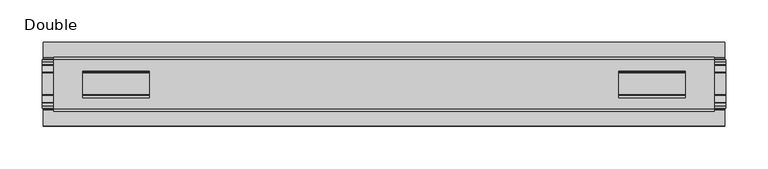
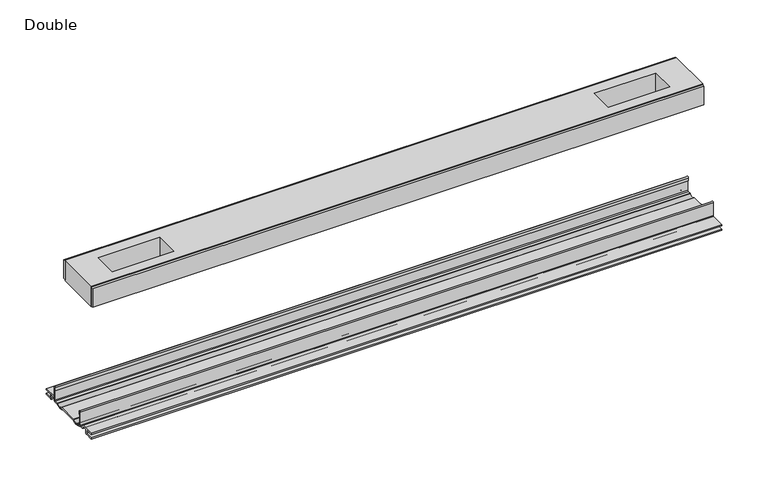
"""IFC4 building model written with IfcOpenShell, lengths in millimetres: proxy geometry, Double."""

from ifc_helpers import new_model, si_unit, point, frame, frame_2d, origin, place, context, project, spatial, polyline, circle_curve, trimmed, segment, composite_curve, outline, extrude, source, transform, mapped, element, save


def double_13daedb4(model_context):
    return source(origin(), model_context, "Body", "SweptSolid", [
        extrude(outline(polyline([(392.2993419, -29.0068005), (392.2993419, -32.1817997), (-392.2993419, -32.1817997), (-392.2993419, -29.0068005), (392.2993419, -29.0068005)])), frame((0.0, 0.0, 149.8401622), z_axis=(0.0, 0.0, 1.0), x_axis=(1.0, 0.0, 0.0)), (0.0, 0.0, 1.0), 25.3999939),
        extrude(outline(polyline([(392.2993419, 32.1817997), (392.2993419, 29.0068005), (-392.2993419, 29.0068005), (-392.2993419, 32.1817997), (392.2993419, 32.1817997)])), frame((0.0, 0.0, 149.8401622), z_axis=(0.0, 0.0, 1.0), x_axis=(1.0, 0.0, 0.0)), (0.0, 0.0, 1.0), 25.3999939),
        extrude(outline(polyline([(392.2993419, 29.0068005), (392.2993419, -29.0068005), (-392.2993419, -29.0068005), (-392.2993419, 29.0068005), (392.2993419, 29.0068005)]), holes=[polyline([(357.8823293, 15.1130038), (278.8375175, 15.1130038), (278.8375175, -15.875003), (357.8823293, -15.875003), (357.8823293, 15.1130038)]), polyline([(-357.8823293, 15.1130038), (-357.8823293, -15.875003), (-278.8375175, -15.875003), (-278.8375175, 15.1130038), (-357.8823293, 15.1130038)])]), frame((0.0, 0.0, 148.4185847), z_axis=(0.0, 0.0, 1.0), x_axis=(1.0, 0.0, 0.0)), (0.0, 0.0, 1.0), 27.9999988),
        extrude(outline(composite_curve([segment(polyline([(-28.8162961, -7.7516037), (-28.8162961, 9.8607558)]), True, "CONTINUOUS"), segment(trimmed(circle_curve(frame_2d((-27.5970982, 9.8607558)), 1.2191979), [point((-28.8162961, 9.8607558))], [point((-26.3779003, 9.8607558))], False, "CARTESIAN"), True, "CONTINUOUS"), segment(polyline([(-26.3779003, 9.8607558), (-26.3779003, 5.9999563), (-27.6580769, 5.9999563), (-27.6580769, -7.7516037)]), True, "CONTINUOUS"), segment(trimmed(circle_curve(frame_2d((-26.6420561, -7.7516037)), 1.0160208), [point((-27.6580769, -7.7516037))], [point((-26.6485732, -8.7676036))], True, "CARTESIAN"), True, "CONTINUOUS"), segment(polyline([(-26.6485732, -8.7676036), (-22.7056226, -8.7676036), (-21.7922609, -8.968753)]), True, "CONTINUOUS"), segment(trimmed(circle_curve(frame_2d((-17.7673021, -6.1259382)), 4.9276657), [point((-21.7922609, -8.968753))], [point((-13.7423434, -8.968753))], True, "CARTESIAN"), True, "CONTINUOUS"), segment(polyline([(-13.7423434, -8.968753), (-12.8289726, -8.7676036), (13.2099722, -8.7676036), (14.123343, -8.968753)]), True, "CONTINUOUS"), segment(trimmed(circle_curve(frame_2d((18.1483018, -6.1259382)), 4.9276657), [point((14.123343, -8.968753))], [point((22.1732605, -8.968753))], True, "CARTESIAN"), True, "CONTINUOUS"), segment(polyline([(22.1732605, -8.968753), (23.0866222, -8.7676036), (27.0295728, -8.7676036)]), True, "CONTINUOUS"), segment(trimmed(circle_curve(frame_2d((27.0230557, -7.7516037)), 1.0160208), [point((27.0295728, -8.7676036))], [point((28.0390765, -7.7516037))], True, "CARTESIAN"), True, "CONTINUOUS"), segment(polyline([(28.0390765, -7.7516037), (28.0390765, 5.9999563), (26.7588999, 5.9999563), (26.7588999, 9.8607558)]), True, "CONTINUOUS"), segment(trimmed(circle_curve(frame_2d((27.9780978, 9.8607558)), 1.2191979), [point((26.7588999, 9.8607558))], [point((29.1972958, 9.8607558))], False, "CARTESIAN"), True, "CONTINUOUS"), segment(polyline([(29.1972958, 9.8607558), (29.1972958, -7.7516037)]), True, "CONTINUOUS"), segment(trimmed(circle_curve(frame_2d((27.0230557, -7.7516037)), 2.17424), [point((29.1972958, -7.7516037))], [point((27.0230557, -9.9258438))], False, "CARTESIAN"), True, "CONTINUOUS"), segment(polyline([(27.0230557, -9.9258438), (22.732069, -9.9258438)]), True, "CONTINUOUS"), segment(trimmed(circle_curve(frame_2d((18.1516545, -6.4800016)), 5.7318431), [point((22.732069, -9.9258438))], [point((13.57124, -9.9258438))], False, "CARTESIAN"), True, "CONTINUOUS"), segment(polyline([(13.57124, -9.9258438), (-13.1902404, -9.9258438)]), True, "CONTINUOUS"), segment(trimmed(circle_curve(frame_2d((-17.7706549, -6.4800016)), 5.7318431), [point((-13.1902404, -9.9258438))], [point((-22.3510694, -9.9258438))], False, "CARTESIAN"), True, "CONTINUOUS"), segment(polyline([(-22.3510694, -9.9258438), (-26.6420561, -9.9258438)]), True, "CONTINUOUS"), segment(trimmed(circle_curve(frame_2d((-26.6420561, -7.7516037)), 2.17424), [point((-26.6420561, -9.9258438))], [point((-28.8162961, -7.7516037))], False, "CARTESIAN"), True, "CONTINUOUS")], self_intersect=False)), frame((-406.3582328, 0.0, 0.0), z_axis=(1.0, 0.0, 0.0), x_axis=(0.0, 1.0, 0.0)), (0.0, 0.0, 1.0), 812.7164656),
        extrude(outline(composite_curve([segment(polyline([(-50.2668422, -13.9898438), (-50.2240211, -12.3388438), (-39.7827507, -12.3388438), (-39.7827507, -7.766844), (-50.2240211, -7.766844), (-50.2668422, -6.1158439), (-31.1784975, -6.1158439)]), True, "CONTINUOUS"), segment(trimmed(circle_curve(frame_2d((-31.1784975, -7.6398436)), 1.5239997), [point((-31.1784975, -6.1158439))], [point((-29.6544978, -7.6398436))], False, "CARTESIAN"), True, "CONTINUOUS"), segment(polyline([(-29.6544978, -7.6398436), (-29.6544978, -9.9258438), (-23.1058344, -9.9258438)]), True, "CONTINUOUS"), segment(trimmed(circle_curve(frame_2d((-17.7673021, -5.2268471)), 7.1119966), [point((-23.1058344, -9.9258438))], [point((-12.4287699, -9.9258438))], True, "CARTESIAN"), True, "CONTINUOUS"), segment(polyline([(-12.4287699, -9.9258438), (12.8097695, -9.9258438)]), True, "CONTINUOUS"), segment(trimmed(circle_curve(frame_2d((18.1483018, -5.2268471)), 7.1119966), [point((12.8097695, -9.9258438))], [point((23.486834, -9.9258438))], True, "CARTESIAN"), True, "CONTINUOUS"), segment(polyline([(23.486834, -9.9258438), (30.0354975, -9.9258438), (30.0354975, -7.7656583)]), True, "CONTINUOUS"), segment(trimmed(circle_curve(frame_2d((31.6864982, -7.7656583)), 1.6510007), [point((30.0354975, -7.7656583))], [point((31.6239218, -6.1158439))], False, "CARTESIAN"), True, "CONTINUOUS"), segment(polyline([(31.6239218, -6.1158439), (50.00625, -6.1158439), (50.00625, -7.766844), (40.1637503, -7.766844), (40.1637503, -12.3388438), (50.00625, -12.3388438), (50.00625, -13.9898438), (40.0367518, -13.9898438)]), True, "CONTINUOUS"), segment(trimmed(circle_curve(frame_2d((40.0367518, -12.4658438)), 1.524), [point((40.0367518, -13.9898438))], [point((38.5127519, -12.4658438))], False, "CARTESIAN"), True, "CONTINUOUS"), segment(polyline([(38.5127519, -12.4658438), (38.5127519, -7.766844), (31.686497, -7.766844), (31.686497, -10.0528438)]), True, "CONTINUOUS"), segment(trimmed(circle_curve(frame_2d((30.1624971, -10.0528438)), 1.524), [point((31.686497, -10.0528438))], [point((30.1624971, -11.5768438))], False, "CARTESIAN"), True, "CONTINUOUS"), segment(polyline([(30.1624971, -11.5768438), (23.6563549, -11.5768438)]), True, "CONTINUOUS"), segment(trimmed(circle_curve(frame_2d((18.1483018, -6.4968436)), 7.4930002), [point((23.6563549, -11.5768438))], [point((12.8904968, -11.8354331))], False, "CARTESIAN"), True, "CONTINUOUS"), segment(polyline([(12.8904968, -11.8354331), (-12.5094972, -11.8354331)]), True, "CONTINUOUS"), segment(trimmed(circle_curve(frame_2d((-17.7673021, -6.4968436)), 7.4930002), [point((-12.5094972, -11.8354331))], [point((-23.2753553, -11.5768438))], False, "CARTESIAN"), True, "CONTINUOUS"), segment(polyline([(-23.2753553, -11.5768438), (-29.7814974, -11.5768438)]), True, "CONTINUOUS"), segment(trimmed(circle_curve(frame_2d((-29.7814974, -10.0528438)), 1.524), [point((-29.7814974, -11.5768438))], [point((-31.3054974, -10.0528438))], False, "CARTESIAN"), True, "CONTINUOUS"), segment(polyline([(-31.3054974, -10.0528438), (-31.3054974, -7.766844), (-38.1317522, -7.766844), (-38.1317522, -12.4658438)]), True, "CONTINUOUS"), segment(trimmed(circle_curve(frame_2d((-39.6557522, -12.4658438)), 1.524), [point((-38.1317522, -12.4658438))], [point((-39.6557522, -13.9898438))], False, "CARTESIAN"), True, "CONTINUOUS"), segment(polyline([(-39.6557522, -13.9898438), (-50.2668422, -13.9898438)]), True, "CONTINUOUS")], self_intersect=False)), frame((-404.7072328, 0.0, 0.0), z_axis=(1.0, 0.0, 0.0), x_axis=(0.0, 1.0, 0.0)), (0.0, 0.0, 1.0), 809.4144656),
    ])


if __name__ == "__main__":
    model = new_model("IFC4")
    model_context = context("Model", 3, world=origin())
    ifc_project = project(units=[si_unit("LENGTHUNIT", "METRE", prefix="MILLI")], contexts=[model_context])
    site = spatial("IfcSite", under=ifc_project)
    building = spatial("IfcBuilding", under=site)
    placement = place(None, origin())
    double_shape = double_13daedb4(model_context)
    element("IfcBuildingElementProxy", 1, Name="Double", ObjectType="Double", at=placement, inside=building, context=model_context, shape_type="MappedRepresentation", body=[
        mapped(double_shape, transform((0.0, 0.0, 0.0), x_axis=(1.0, 0.0, 0.0), y_axis=(0.0, 1.0, 0.0), z_axis=(0.0, 0.0, 1.0))),
    ])
    save(model, "model.ifc")
